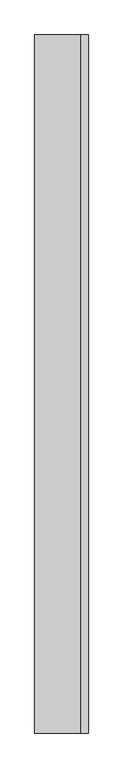
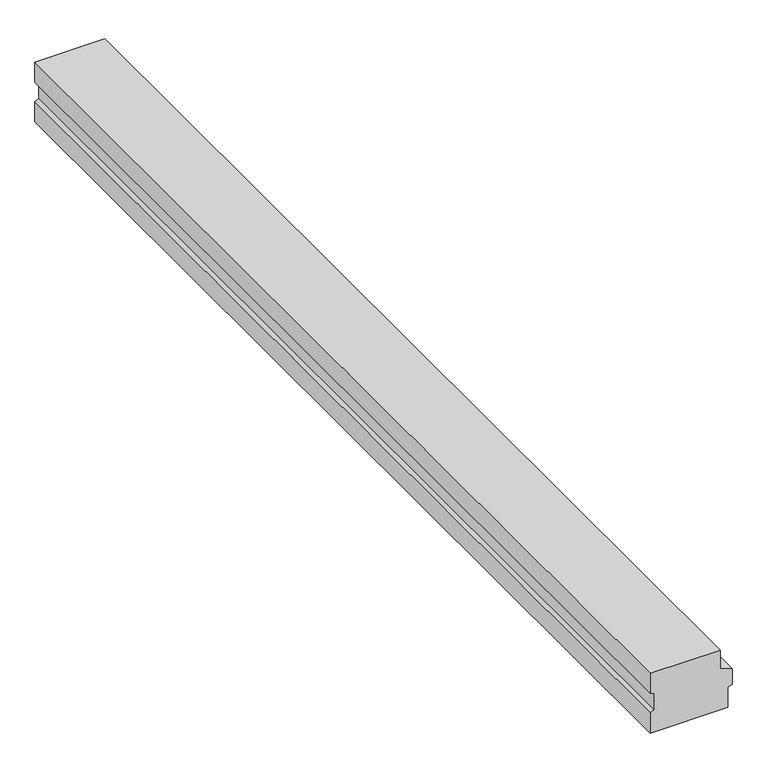
"""IFC4 building model written with IfcOpenShell, lengths in millimetres: beam geometry."""

import ifcopenshell
import ifcopenshell.guid

model = None  # the IFC model being written
_history = None  # IfcOwnerHistory: only IFC2X3 demands one
_inside = {}  # id of a spatial element -> (the spatial element, [elements in it])
_under = {}  # id of a project, library or spatial element -> (it, [spatial elements below it])
_declared = {}  # id of a project -> (the project, [libraries it declares])
_typed = {}  # id of a type object -> (the type object, [elements of that type])
_made_of = {}  # id of a material, layer set ... -> (it, [elements and type objects made of it])


def new_model(schema):
    """Start an empty IFC model of exactly this schema.

    Asked for "IFC4X3", IfcOpenShell would pick the latest addendum, in which some entities
    have other attributes; the version numbers below select the first issue.
    IFC2X3 requires an IfcOwnerHistory on every rooted entity: one is made here for all.
    """
    global model, _history
    if schema == "IFC4X3":
        model = ifcopenshell.file(schema_version=(4, 3, 0, 0))
    else:
        model = ifcopenshell.file(schema=schema)
    _inside.clear()
    _under.clear()
    _declared.clear()
    _typed.clear()
    _made_of.clear()
    _history = None
    if model.schema == "IFC2X3":
        org = make("IfcOrganization", Name="unknown")
        user = make(
            "IfcPersonAndOrganization",
            ThePerson=make("IfcPerson", FamilyName="unknown"),
            TheOrganization=org,
        )
        app = make(
            "IfcApplication",
            ApplicationDeveloper=org,
            Version="unknown",
            ApplicationFullName="unknown",
            ApplicationIdentifier="unknown",
        )
        _history = make(
            "IfcOwnerHistory",
            OwningUser=user,
            OwningApplication=app,
            ChangeAction="ADDED",
            CreationDate=0,
        )
    return model


def make(cls, **values):
    """One entity of the class cls with the attributes given. An attribute that is None is left unset."""
    return model.create_entity(
        cls, **{name: value for name, value in values.items() if value is not None}
    )


def rooted(cls, **values):
    """An entity with a GlobalId (a new one), such as an element, a storey or a relation."""
    return make(cls, GlobalId=ifcopenshell.guid.new(), OwnerHistory=_history, **values)


def si_unit(unit_type, name, prefix=None):
    """IfcSIUnit, for example si_unit("LENGTHUNIT", "METRE", prefix="MILLI")."""
    return make("IfcSIUnit", UnitType=unit_type, Prefix=prefix, Name=name)


def assignment(units):
    """IfcUnitAssignment: the units of a project."""
    return None if units is None else make("IfcUnitAssignment", Units=units)


def point(xyz):
    """IfcCartesianPoint."""
    return None if xyz is None else make("IfcCartesianPoint", Coordinates=xyz)


def direction(xyz):
    """IfcDirection."""
    return None if xyz is None else make("IfcDirection", DirectionRatios=xyz)


def frame(location, z_axis=None, x_axis=None):
    """IfcAxis2Placement3D, a coordinate frame: its origin and axes. An axis left out is left unset."""
    return make(
        "IfcAxis2Placement3D",
        Location=point(location),
        Axis=direction(z_axis),
        RefDirection=direction(x_axis),
    )


def origin():
    """The frame at (0, 0, 0) with its axes left unset."""
    return frame((0.0, 0.0, 0.0))


def place(relative_to, where):
    """IfcLocalPlacement: puts the frame where relative to a parent placement (None: the world)."""
    return make(
        "IfcLocalPlacement", PlacementRelTo=relative_to, RelativePlacement=where
    )


def context(
    kind, dimensions, precision=None, world=None, true_north=None, identifier=None
):
    """IfcGeometricRepresentationContext, for example the 3D "Model" context."""
    return make(
        "IfcGeometricRepresentationContext",
        ContextIdentifier=identifier,
        ContextType=kind,
        CoordinateSpaceDimension=dimensions,
        Precision=precision,
        WorldCoordinateSystem=world,
        TrueNorth=true_north,
    )


def project(units=None, contexts=None):
    """IfcProject with its units and contexts."""
    return rooted(
        "IfcProject",
        Name="project",
        RepresentationContexts=contexts,
        UnitsInContext=assignment(units),
    )


def spatial(cls, under=None, at=None, **own):
    """A site, building, storey or space (cls), placed at a placement, below another one or the project."""
    s = rooted(cls, ObjectPlacement=at, **own)
    if under is not None:
        _under.setdefault(under.id(), (under, []))[1].append(s)
    return s


def polyline(points):
    """IfcPolyline through the points."""
    return make("IfcPolyline", Points=[point(p) for p in points])


def outline(outer, holes=None, kind="AREA"):
    """IfcArbitraryClosedProfileDef: a profile drawn as a closed curve; with holes, ...WithVoids."""
    if holes is None:
        return make("IfcArbitraryClosedProfileDef", ProfileType=kind, OuterCurve=outer)
    return make(
        "IfcArbitraryProfileDefWithVoids",
        ProfileType=kind,
        OuterCurve=outer,
        InnerCurves=holes,
    )


def extrude(swept, where, along, depth):
    """IfcExtrudedAreaSolid: the profile swept, set in the frame where, extruded along a direction by depth."""
    return make(
        "IfcExtrudedAreaSolid",
        SweptArea=swept,
        Position=where,
        ExtrudedDirection=direction(along),
        Depth=depth,
    )


def shape(context_of_items, identifier, shape_type, items):
    """IfcShapeRepresentation: the items that make up one representation, for example the "Body"."""
    return make(
        "IfcShapeRepresentation",
        ContextOfItems=context_of_items,
        RepresentationIdentifier=identifier,
        RepresentationType=shape_type,
        Items=items,
    )


def source(mapping_origin, context_of_items, identifier, shape_type, items):
    """IfcRepresentationMap: a shape defined once, which mapped items show again and again."""
    return make(
        "IfcRepresentationMap",
        MappingOrigin=mapping_origin,
        MappedRepresentation=shape(context_of_items, identifier, shape_type, items),
    )


def transform(
    local_origin,
    x_axis=None,
    y_axis=None,
    z_axis=None,
    scale=None,
    scale2=None,
    scale3=None,
    uniform=True,
):
    """IfcCartesianTransformationOperator3D, or its non-uniform kind. x_axis, y_axis, z_axis: its Axis1, 2, 3."""
    if uniform:
        return make(
            "IfcCartesianTransformationOperator3D",
            Axis1=direction(x_axis),
            Axis2=direction(y_axis),
            LocalOrigin=point(local_origin),
            Scale=scale,
            Axis3=direction(z_axis),
        )
    return make(
        "IfcCartesianTransformationOperator3DnonUniform",
        Axis1=direction(x_axis),
        Axis2=direction(y_axis),
        LocalOrigin=point(local_origin),
        Scale=scale,
        Axis3=direction(z_axis),
        Scale2=scale2,
        Scale3=scale3,
    )


def mapped(mapping_source, mapping_target):
    """IfcMappedItem: shows the shape of a source again, moved by a transform."""
    return make(
        "IfcMappedItem", MappingSource=mapping_source, MappingTarget=mapping_target
    )


def made_of(thing, what):
    """Note that an element or type object is made of a material, layer set ...; save() writes the relation."""
    if what is not None:
        _made_of.setdefault(what.id(), (what, []))[1].append(thing)
    return thing


def element(
    cls,
    number,
    at=None,
    inside=None,
    cuts=None,
    type_object=None,
    material=None,
    context=None,
    identifier="Body",
    shape_type=None,
    held_by="IfcProductDefinitionShape",
    body=None,
    shapes=None,
    **own,
):
    """One element of the class cls, such as IfcWall. Its Tag is "e" and its number.

    at: its placement. inside: the storey or other place that contains it. cuts: it is an
    opening in that element (IfcRelVoidsElement). A single representation is given by context,
    identifier, shape_type and body (its items); several are given by shapes. held_by: the class
    of the entity that holds the representations. save() writes the other relations.
    """
    e = rooted(cls, Tag="e%d" % number, ObjectPlacement=at, **own)
    if body is not None:
        shapes = [shape(context, identifier, shape_type, body)]
    if shapes is not None:
        e.Representation = make(held_by, Representations=shapes)
    if inside is not None:
        _inside.setdefault(inside.id(), (inside, []))[1].append(e)
    if cuts is not None:
        rooted(
            "IfcRelVoidsElement", RelatingBuildingElement=cuts, RelatedOpeningElement=e
        )
    if type_object is not None:
        _typed.setdefault(type_object.id(), (type_object, []))[1].append(e)
    return made_of(e, material)


def aggregate(whole, parts):
    """IfcRelAggregates: a whole, such as a stair, and the parts it consists of."""
    return rooted("IfcRelAggregates", RelatingObject=whole, RelatedObjects=parts)


def save(model, path):
    """Write the relations noted so far, then the file.

    IfcRelAggregates (storeys below a building ...), IfcRelContainedInSpatialStructure (elements
    in a storey), IfcRelDefinesByType, IfcRelAssociatesMaterial and IfcRelDeclares: one each for
    every whole, place, type object, material and project.
    """
    for whole, parts in _under.values():
        aggregate(whole, parts)
    for where, things in _inside.values():
        rooted(
            "IfcRelContainedInSpatialStructure",
            RelatedElements=things,
            RelatingStructure=where,
        )
    for kind, things in _typed.values():
        rooted("IfcRelDefinesByType", RelatedObjects=things, RelatingType=kind)
    for what, things in _made_of.values():
        rooted("IfcRelAssociatesMaterial", RelatedObjects=things, RelatingMaterial=what)
    for by, libraries in _declared.values():
        rooted("IfcRelDeclares", RelatingContext=by, RelatedDefinitions=libraries)
    model.write(path)


def beam_d5c69bb7(model_context):
    return source(origin(), model_context, "Body", "SweptSolid", [
        extrude(outline(polyline([(0.0, 117.5), (0.0, -147.5), (-81.2054084, -147.5), (-86.8469471, -132.0), (-152.5378604, -132.0), (-158.9635917, -147.5), (-240.0, -147.5), (-240.0, 147.5), (-158.9635917, 147.5), (-152.5378604, 163.0), (-91.5606457, 163.0), (-75.0, 117.5), (0.0, 117.5)])), frame((0.0, -2020.0, 0.0), z_axis=(0.0, 1.0, 0.0), x_axis=(0.0, 0.0, 1.0)), (0.0, 0.0, 1.0), 4040.0),
    ])


if __name__ == "__main__":
    model = new_model("IFC4")
    model_context = context("Model", 3, world=origin())
    ifc_project = project(units=[si_unit("LENGTHUNIT", "METRE", prefix="MILLI")], contexts=[model_context])
    site = spatial("IfcSite", under=ifc_project)
    building = spatial("IfcBuilding", under=site)
    placement = place(None, origin())
    beam_shape = beam_d5c69bb7(model_context)
    element("IfcBeam", 1, at=placement, inside=building, context=model_context, shape_type="MappedRepresentation", body=[
        mapped(beam_shape, transform((0.0, 0.0, 0.0), x_axis=(1.0, 0.0, 0.0), y_axis=(0.0, 1.0, 0.0), z_axis=(0.0, 0.0, 1.0))),
    ])
    save(model, "model.ifc")
